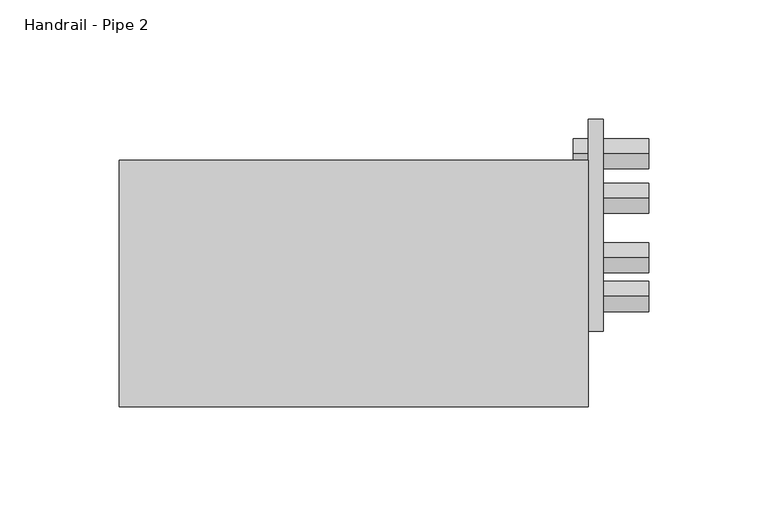
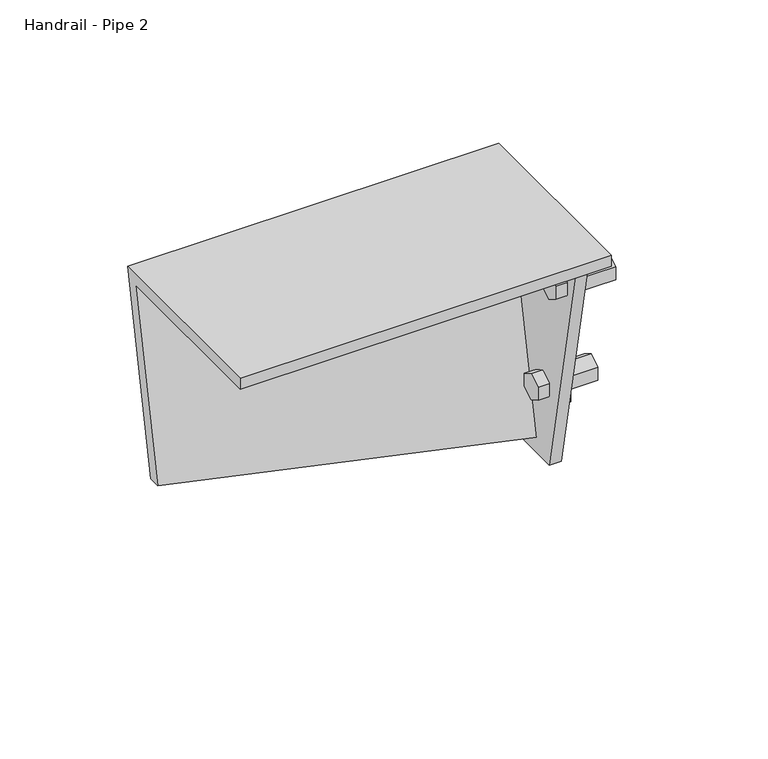
"""IFC4 building model written with IfcOpenShell, lengths in millimetres: railing geometry, Handrail - Pipe 2."""

from ifc_helpers import new_model, si_unit, frame, origin, place, context, project, spatial, polyline, outline, extrude, faceted_brep, source, transform, mapped, element, save


def handrail_pipe_2_2dfe253b(model_context):
    return source(origin(), model_context, "Body", "SolidModel", [
        extrude(outline(polyline([(-857.4666859, 118.5333333), (-768.5666859, 118.5333333), (-793.9666859, -8.4666667), (-832.0666859, -8.4666667), (-857.4666859, 118.5333333)])), frame((-5732.4037229, 0.0, 0.0), z_axis=(1.0, 0.0, 0.0), x_axis=(0.0, 1.0, 0.0)), (0.0, 0.0, 1.0), 6.35),
        faceted_brep([(-5929.2537229, -785.7116859, 143.9333333), (-5929.2537229, -806.9810729, 37.5863986), (-5929.2537229, -813.3310729, 37.5863986), (-5929.2537229, -793.3070234, 137.706646), (-5929.2537229, -889.2166859, 137.706646), (-5929.2537229, -889.2166859, 143.9333333), (-5732.4037229, -785.7116859, 143.9333333), (-5732.4037229, -889.2166859, 143.9333333), (-5732.4037229, -889.2166859, 137.706646), (-5732.4037229, -793.3070234, 137.706646), (-5732.4037229, -820.8030977, 0.2262748), (-5732.4037229, -814.4530977, 0.2262748)], [[[0, 1, 2, 3, 4, 5]], [[6, 7, 8, 9, 10, 11]], [[6, 0, 5, 7]], [[7, 5, 4, 8]], [[8, 4, 3, 9]], [[9, 3, 2, 10]], [[10, 2, 1, 11]], [[11, 1, 0, 6]]]),
        extrude(outline(polyline([(-801.7514472, 14.7500895), (-795.4014472, 11.0839153), (-795.4014472, 3.7515669), (-801.7514472, 0.0853927), (-808.1014472, 3.7515669), (-808.1014472, 11.0839153), (-801.7514472, 14.7500895)])), frame((-5738.7537229, 0.0, 0.0), z_axis=(1.0, 0.0, 0.0), x_axis=(0.0, 1.0, 0.0)), (0.0, 0.0, 1.0), 31.75),
        extrude(outline(polyline([(-783.0713853, 108.1503989), (-776.7213853, 104.4842247), (-776.7213853, 97.1518763), (-783.0713853, 93.4857021), (-789.4213853, 97.1518763), (-789.4213853, 104.4842247), (-783.0713853, 108.1503989)])), frame((-5738.7537229, 0.0, 0.0), z_axis=(1.0, 0.0, 0.0), x_axis=(0.0, 1.0, 0.0)), (0.0, 0.0, 1.0), 31.75),
        extrude(outline(polyline([(-826.6631747, 41.7375895), (-820.3131747, 38.0714153), (-820.3131747, 30.7390669), (-826.6631747, 27.0728927), (-833.0131747, 30.7390669), (-833.0131747, 38.0714153), (-826.6631747, 41.7375895)])), frame((-5738.7537229, 0.0, 0.0), z_axis=(1.0, 0.0, 0.0), x_axis=(0.0, 1.0, 0.0)), (0.0, 0.0, 1.0), 31.75),
        extrude(outline(polyline([(-842.9619866, 108.1503989), (-836.6119866, 104.4842247), (-836.6119866, 97.1518763), (-842.9619866, 93.4857021), (-849.3119866, 97.1518763), (-849.3119866, 104.4842247), (-842.9619866, 108.1503989)])), frame((-5738.7537229, 0.0, 0.0), z_axis=(1.0, 0.0, 0.0), x_axis=(0.0, 1.0, 0.0)), (0.0, 0.0, 1.0), 31.75),
    ])


if __name__ == "__main__":
    model = new_model("IFC4")
    model_context = context("Model", 3, world=origin())
    ifc_project = project(units=[si_unit("LENGTHUNIT", "METRE", prefix="MILLI")], contexts=[model_context])
    site = spatial("IfcSite", under=ifc_project)
    building = spatial("IfcBuilding", under=site)
    placement = place(None, origin())
    handrail_pipe_2_shape = handrail_pipe_2_2dfe253b(model_context)
    element("IfcRailing", 1, ObjectType="Handrail - Pipe 2", at=placement, inside=building, context=model_context, shape_type="MappedRepresentation", body=[
        mapped(handrail_pipe_2_shape, transform((0.0, 0.0, 0.0), x_axis=(1.0, 0.0, 0.0), y_axis=(0.0, 1.0, 0.0), z_axis=(0.0, 0.0, 1.0))),
    ])
    save(model, "model.ifc")
